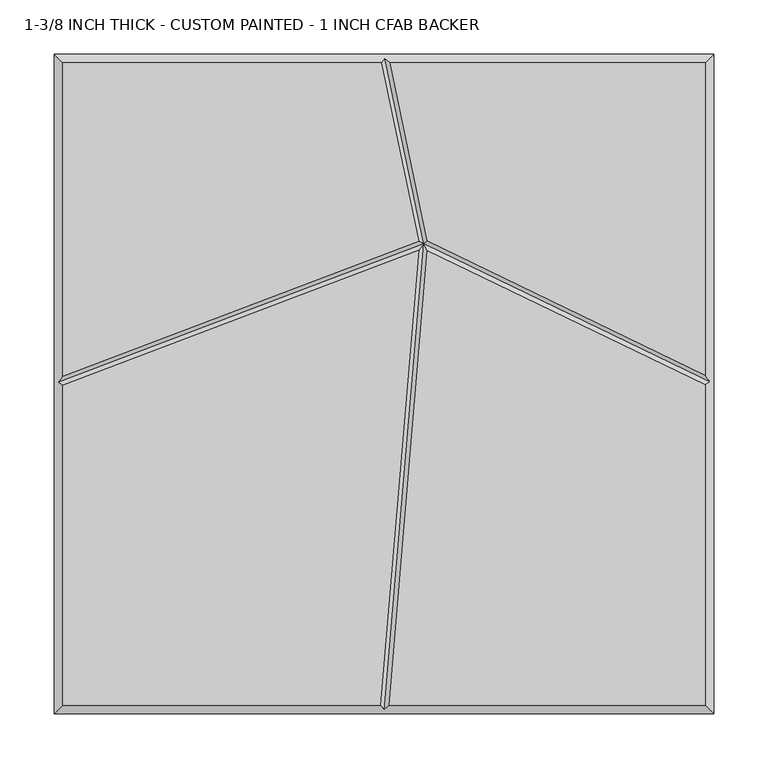
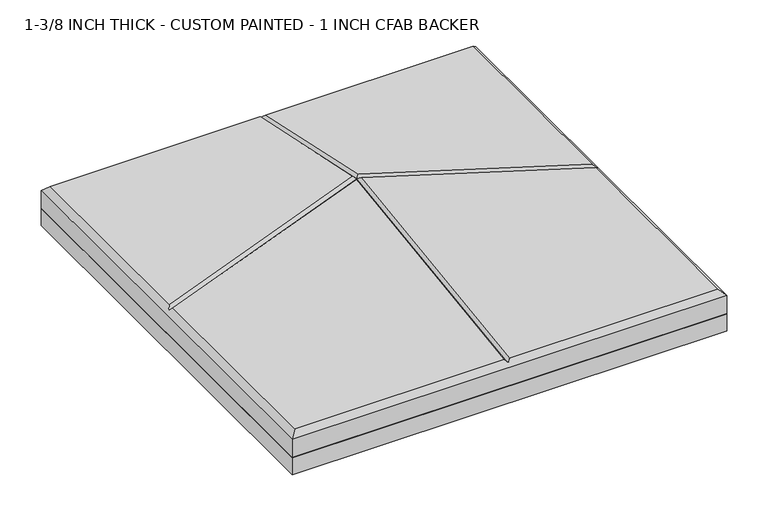
"""IFC4 building model written with IfcOpenShell, lengths in millimetres: proxy geometry, 1-3/8 INCH THICK - CUSTOM PAINTED - 1 INCH CFAB BACKER."""

from ifc_helpers import new_model, si_unit, frame, origin, place, context, project, spatial, polyline, outline, extrude, faceted_brep, source, transform, mapped, element, save


def proxy_1_3_8_inch_thick_custom_painted_1_inch_cfab_backer_43b9279f(model_context):
    return source(origin(), model_context, "Body", "SolidModel", [
        extrude(outline(polyline([(-304.8, 304.8), (304.8, 304.8), (304.8, -304.8), (-304.8, -304.8), (-304.8, 304.8)])), frame((0.0, 0.0, -25.4), z_axis=(0.0, 0.0, 1.0), x_axis=(1.0, 0.0, 0.0)), (0.0, 0.0, 1.0), 25.4),
        faceted_brep([(-296.799, -1.2448936, 34.925), (-296.799, -296.799, 34.925), (-3.3400901, -296.799, 34.925), (32.0932726, 123.4506539, 34.925), (-296.799, 296.799, 34.925), (-296.799, 7.3118593, 34.925), (31.9984357, 131.9714505, 34.925), (-2.4162247, 296.799, 34.925), (296.799, -296.799, 34.925), (296.799, -0.5803511, 34.925), (40.1110006, 123.3123478, 34.925), (4.6892992, -296.799, 34.925), (296.799, 8.3038558, 34.925), (296.799, 296.799, 34.925), (5.757313, 296.799, 34.925), (40.1265394, 132.1890548, 34.925), (-304.8, 304.8, 0.0), (304.8, 304.8, 0.0), (304.8, -304.8, 0.0), (-304.8, -304.8, 0.0), (-304.8, -304.8, 26.924), (-304.8, 304.8, 26.924), (304.8, -304.8, 26.924), (304.8, 304.8, 26.924), (0.8352721, 300.7995, 30.9245), (-300.7995, 1.5167414, 30.9245), (0.3373023, -300.7995, 30.9245), (300.7995, 1.9308762, 30.9245), (36.6131869, 129.4427015, 30.9245)], [[[0, 1, 2, 3]], [[4, 5, 6, 7]], [[8, 9, 10, 11]], [[12, 13, 14, 15]], [[16, 17, 18, 19]], [[16, 19, 20, 21]], [[19, 18, 22, 20]], [[18, 17, 23, 22]], [[17, 16, 21, 23]], [[21, 4, 7, 24, 14, 13, 23]], [[4, 21, 20, 1, 0, 25, 5]], [[1, 20, 22, 8, 11, 26, 2]], [[23, 13, 12, 27, 9, 8, 22]], [[27, 28, 10, 9]], [[28, 27, 12, 15]], [[28, 25, 0, 3]], [[25, 28, 6, 5]], [[24, 28, 15, 14]], [[28, 24, 7, 6]], [[28, 26, 11, 10]], [[26, 28, 3, 2]]]),
    ])


if __name__ == "__main__":
    model = new_model("IFC4")
    model_context = context("Model", 3, world=origin())
    ifc_project = project(units=[si_unit("LENGTHUNIT", "METRE", prefix="MILLI")], contexts=[model_context])
    site = spatial("IfcSite", under=ifc_project)
    building = spatial("IfcBuilding", under=site)
    placement = place(None, origin())
    proxy_1_3_8_inch_thick_custom_painted_1_inch_cfab_backer_shape = proxy_1_3_8_inch_thick_custom_painted_1_inch_cfab_backer_43b9279f(model_context)
    element("IfcBuildingElementProxy", 1, Name="1-3/8 INCH THICK - CUSTOM PAINTED - 1 INCH CFAB BACKER", ObjectType="1-3/8 INCH THICK - CUSTOM PAINTED - 1 INCH CFAB BACKER", at=placement, inside=building, context=model_context, shape_type="MappedRepresentation", body=[
        mapped(proxy_1_3_8_inch_thick_custom_painted_1_inch_cfab_backer_shape, transform((0.0, 0.0, 0.0), x_axis=(1.0, 0.0, 0.0), y_axis=(0.0, 1.0, 0.0), z_axis=(0.0, 0.0, 1.0))),
    ])
    save(model, "model.ifc")
